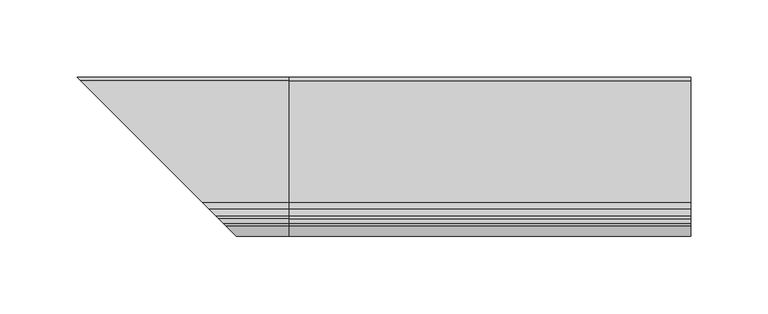
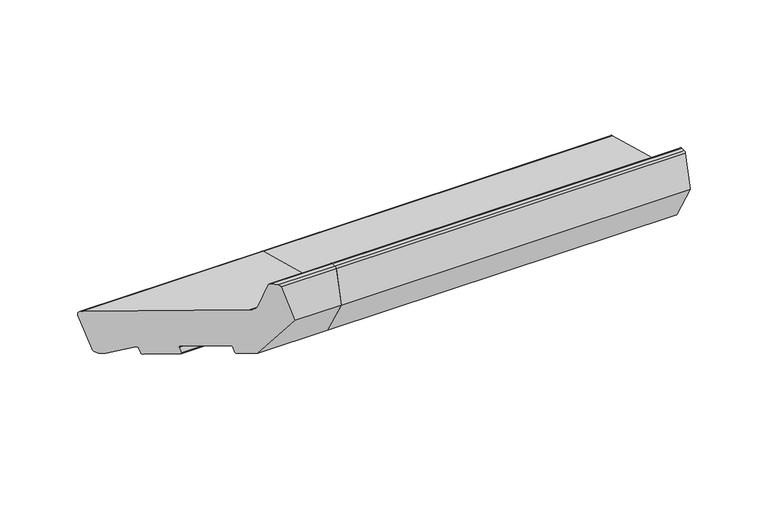
"""IFC4 building model written with IfcOpenShell, lengths in millimetres: proxy geometry."""

from ifc_helpers import new_model, si_unit, point, frame, frame_2d, origin, place, context, project, spatial, polyline, circle_curve, ellipse_curve, trimmed, segment, composite_curve, outline, extrude, source, transform, mapped, element, save
from ifc_brep_helpers import plane_surface, cylinder_surface, revolved_surface, advanced_brep


def generic_models_a520f157(model_context):
    return source(origin(), model_context, "Body", "SolidModel", [
        advanced_brep(
        [(0.0, -47.1626434, 57.797826), (0.0, -51.4052841, 62.0404667), (0.0, -56.1879801, 79.8897315), (0.0, -57.6368689, 81.0015029), (0.0, -60.9802434, 81.0015029), (0.0, -62.4291321, 79.8897315), (0.0, -69.0, 55.3669186), (0.0, -51.3223305, 24.7482968), (0.0, -41.6630722, 22.1601064), (0.0, -40.4383273, 22.8672132), (0.0, -39.4030512, 26.7309165), (0.0, -38.1783063, 27.4380232), (0.0, -14.9960865, 21.2263662), (0.0, -14.2889797, 20.0016213), (0.0, -15.3242559, 16.137918), (0.0, -14.6171491, 14.9131731), (0.0, 2.7695158, 10.2544303), (0.0, 3.9942607, 10.9615371), (0.0, 4.9424512, 14.5002322), (0.0, 6.4292308, 15.095059), (0.0, 20.4149997, 6.5616133), (0.0, 23.3127772, 5.7851562), (0.0, 26.9870118, 7.9064765), (0.0, 33.716307, 33.020548), (0.0, 31.5949866, 36.6947826), (-134.5949866, 31.5949866, 36.6947826), (-55.8373566, -47.1626434, 57.797826), (-136.716307, 33.716307, 33.020548), (-129.9870118, 26.9870118, 7.9064765), (-126.3127772, 23.3127772, 5.7851562), (-123.4149997, 20.4149997, 6.5616133), (-109.4292308, 6.4292308, 15.095059), (-107.9424512, 4.9424512, 14.5002322), (-106.9942607, 3.9942607, 10.9615371), (-105.7695158, 2.7695158, 10.2544303), (-88.3828509, -14.6171491, 14.9131731), (-87.6757441, -15.3242559, 16.137918), (-88.7110203, -14.2889797, 20.0016213), (-88.0039135, -14.9960865, 21.2263662), (-64.8216937, -38.1783063, 27.4380232), (-63.5969488, -39.4030512, 26.7309165), (-62.5616727, -40.4383273, 22.8672132), (-61.3369278, -41.6630722, 22.1601064), (-51.6776695, -51.3223305, 24.7482968), (-34.0, -69.0, 55.3669186), (-40.5708679, -62.4291321, 79.8897315), (-42.0197566, -60.9802434, 81.0015029), (-45.3631311, -57.6368689, 81.0015029), (-46.8120199, -56.1879801, 79.8897315), (-51.5947159, -51.4052841, 62.0404667)],
        [
            (0, 1, circle_curve(frame((0.0, -45.6097291, 63.5933809), z_axis=(-1.0, 0.0, 0.0), x_axis=(0.0, -0.25881904510252074, -0.9659258262890683)), 6.0)),
            (1, 2),
            (2, 3, circle_curve(frame((0.0, -57.6368689, 79.5015029), z_axis=(1.0, 0.0, 0.0), x_axis=(0.0, 0.9659258262890683, 0.25881904510252074)), 1.5)),
            (3, 4),
            (4, 5, circle_curve(frame((0.0, -60.9802434, 79.5015029), z_axis=(1.0, 0.0, 0.0), x_axis=(0.0, 0.0, 1.0)), 1.5)),
            (5, 6),
            (6, 7),
            (7, 8),
            (8, 9, circle_curve(frame((0.0, -41.4042532, 23.1260322), z_axis=(1.0, 0.0, 0.0), x_axis=(0.0, -0.25881904510252074, -0.9659258262890683)), 1.0)),
            (9, 10),
            (10, 11, circle_curve(frame((0.0, -38.4371253, 26.4720974), z_axis=(-1.0, 0.0, 0.0), x_axis=(0.0, -0.9659258262890683, 0.25881904510252074)), 1.0)),
            (11, 12),
            (12, 13, circle_curve(frame((0.0, -15.2549055, 20.2604403), z_axis=(-1.0, 0.0, 0.0), x_axis=(0.0, 0.25881904510252074, 0.9659258262890683)), 1.0)),
            (13, 14),
            (14, 15, circle_curve(frame((0.0, -14.35833, 15.8790989), z_axis=(1.0, 0.0, 0.0), x_axis=(0.0, -0.9659258262890683, 0.25881904510252074)), 1.0)),
            (15, 16),
            (16, 17, circle_curve(frame((0.0, 3.0283348, 11.2203561), z_axis=(1.0, 0.0, 0.0), x_axis=(0.0, -0.25881904510252074, -0.9659258262890683)), 1.0)),
            (17, 18),
            (18, 19, circle_curve(frame((0.0, 5.908377, 14.2414131), z_axis=(-1.0, 0.0, 0.0), x_axis=(0.0, -0.9659258262890681, 0.25881904510252157)), 1.0)),
            (19, 20),
            (20, 21),
            (21, 22, circle_curve(frame((0.0, 24.0892343, 8.6829337), z_axis=(1.0, 0.0, 0.0), x_axis=(0.0, -0.2588190451025206, -0.9659258262890683)), 3.0)),
            (22, 23),
            (23, 24, circle_curve(frame((0.0, 30.8185295, 33.7970051), z_axis=(1.0, 0.0, 0.0), x_axis=(0.0, 0.9659258262890683, -0.25881904510252074)), 3.0)),
            (24, 0),
            (24, 25),
            (25, 26),
            (26, 0),
            (23, 27),
            (27, 25, ellipse_curve(frame((-133.8185295, 30.8185295, 33.7970051), z_axis=(0.7071067811865491, 0.707106781186546, 0.0), x_axis=(-0.7071067811865459, 0.7071067811865491, 0.0)), 4.2426407, 3.0)),
            (22, 28),
            (28, 27),
            (21, 29),
            (29, 28, ellipse_curve(frame((-127.0892343, 24.0892343, 8.6829337), z_axis=(0.7071067811865491, 0.707106781186546, 0.0), x_axis=(-0.7071067811865459, 0.7071067811865491, 0.0)), 4.2426407, 3.0)),
            (20, 30),
            (30, 29),
            (19, 31),
            (31, 30),
            (18, 32),
            (32, 31, ellipse_curve(frame((-108.908377, 5.908377, 14.2414131), z_axis=(-0.7071067811865491, -0.707106781186546, 0.0), x_axis=(0.7071067811865459, -0.7071067811865491, 0.0)), 1.4142136, 1.0)),
            (17, 33),
            (33, 32),
            (16, 34),
            (34, 33, ellipse_curve(frame((-106.0283348, 3.0283348, 11.2203561), z_axis=(0.7071067811865491, 0.707106781186546, 0.0), x_axis=(-0.7071067811865459, 0.7071067811865491, 0.0)), 1.4142136, 1.0)),
            (15, 35),
            (35, 34),
            (14, 36),
            (36, 35, ellipse_curve(frame((-88.64167, -14.35833, 15.8790989), z_axis=(0.7071067811865491, 0.707106781186546, 0.0), x_axis=(-0.7071067811865459, 0.7071067811865491, 0.0)), 1.4142136, 1.0)),
            (13, 37),
            (37, 36),
            (12, 38),
            (38, 37, ellipse_curve(frame((-87.7450945, -15.2549055, 20.2604403), z_axis=(-0.7071067811865491, -0.707106781186546, 0.0), x_axis=(0.7071067811865459, -0.7071067811865491, 0.0)), 1.4142136, 1.0)),
            (11, 39),
            (39, 38),
            (10, 40),
            (40, 39, ellipse_curve(frame((-64.5628747, -38.4371253, 26.4720974), z_axis=(-0.7071067811865491, -0.707106781186546, 0.0), x_axis=(0.7071067811865459, -0.7071067811865491, 0.0)), 1.4142136, 1.0)),
            (9, 41),
            (41, 40),
            (8, 42),
            (42, 41, ellipse_curve(frame((-61.5957468, -41.4042532, 23.1260322), z_axis=(0.7071067811865491, 0.707106781186546, 0.0), x_axis=(-0.7071067811865459, 0.7071067811865491, 0.0)), 1.4142136, 1.0)),
            (7, 43),
            (43, 42),
            (6, 44),
            (44, 43),
            (5, 45),
            (45, 44),
            (4, 46),
            (46, 45, ellipse_curve(frame((-42.0197566, -60.9802434, 79.5015029), z_axis=(0.7071067811865491, 0.707106781186546, 0.0), x_axis=(-0.7071067811865459, 0.7071067811865491, 0.0)), 2.1213203, 1.5)),
            (3, 47),
            (47, 46),
            (2, 48),
            (48, 47, ellipse_curve(frame((-45.3631311, -57.6368689, 79.5015029), z_axis=(0.7071067811865491, 0.707106781186546, 0.0), x_axis=(-0.7071067811865459, 0.7071067811865491, 0.0)), 2.1213203, 1.5)),
            (1, 49),
            (49, 48),
            (26, 49, ellipse_curve(frame((-57.3902709, -45.6097291, 63.5933809), z_axis=(-0.7071067811865491, -0.707106781186546, 0.0), x_axis=(0.7071067811865459, -0.7071067811865491, 0.0)), 8.4852814, 6.0)),
        ],
        [
            plane_surface(frame((0.0, -0.0129882, 0.0), z_axis=(1.0, 0.0, 0.0), x_axis=(0.0, 0.0, 1.0))),
            plane_surface(frame((-136.9599509, -47.1626434, 57.797826), z_axis=(0.0, 0.25881904510252074, 0.9659258262890683), x_axis=(1.0, 0.0, 0.0))),
            cylinder_surface(frame((-136.9599509, 30.8185295, 33.7970051), z_axis=(-1.0, 0.0, 0.0), x_axis=(0.0, 0.9659258262890683, -0.25881904510252074)), 3.0),
            plane_surface(frame((-136.9599509, 33.716307, 33.020548), z_axis=(0.0, 0.9659258262890683, -0.25881904510252074), x_axis=(1.0, 0.0, 0.0))),
            cylinder_surface(frame((-136.9599509, 24.0892343, 8.6829337), z_axis=(-1.0, 0.0, 0.0), x_axis=(0.0, -0.2588190451025206, -0.9659258262890683)), 3.0),
            plane_surface(frame((-136.9599509, 23.3127772, 5.7851562), z_axis=(0.0, -0.25881904510252074, -0.9659258262890683), x_axis=(1.0, 0.0, 0.0))),
            plane_surface(frame((-136.9599509, 20.4149997, 6.5616133), z_axis=(0.0, -0.5208538026734643, -0.8536458962828745), x_axis=(1.0, 0.0, 0.0))),
            revolved_surface(polyline([(0.0, 4.942451173710932, 14.500232145102522), (-109.90837702660625, 4.942451173710932, 14.500232145102522)]), (-136.9599509, 5.908377, 14.2414131), (1.0, 0.0, 0.0)),
            plane_surface(frame((-136.9599509, 4.9424512, 14.5002322), z_axis=(0.0, 0.9659258262890683, -0.25881904510252074), x_axis=(1.0, 0.0, 0.0))),
            cylinder_surface(frame((-136.9599509, 3.0283348, 11.2203561), z_axis=(-1.0, 0.0, 0.0), x_axis=(0.0, -0.25881904510252074, -0.9659258262890683)), 1.0),
            plane_surface(frame((-136.9599509, 2.7695158, 10.2544303), z_axis=(0.0, -0.25881904510252074, -0.9659258262890683), x_axis=(1.0, 0.0, 0.0))),
            cylinder_surface(frame((-136.9599509, -14.35833, 15.8790989), z_axis=(-1.0, 0.0, 0.0), x_axis=(0.0, -0.9659258262890683, 0.25881904510252074)), 1.0),
            plane_surface(frame((-136.9599509, -15.3242559, 16.137918), z_axis=(0.0, -0.9659258262890683, 0.25881904510252074), x_axis=(1.0, 0.0, 0.0))),
            revolved_surface(polyline([(0.0, -14.99608645489748, 21.22636612628907), (-88.74509452660624, -14.99608645489748, 21.22636612628907)]), (-136.9599509, -15.2549055, 20.2604403), (1.0, 0.0, 0.0)),
            plane_surface(frame((-136.9599509, -14.9960865, 21.2263662), z_axis=(0.0, -0.25881904510252074, -0.9659258262890683), x_axis=(1.0, 0.0, 0.0))),
            revolved_surface(polyline([(0.0, -39.403051126289064, 26.73091644510252), (-65.56287472660624, -39.403051126289064, 26.73091644510252)]), (-136.9599509, -38.4371253, 26.4720974), (1.0, 0.0, 0.0)),
            plane_surface(frame((-136.9599509, -39.4030512, 26.7309165), z_axis=(0.0, 0.9659258262890683, -0.25881904510252074), x_axis=(1.0, 0.0, 0.0))),
            cylinder_surface(frame((-136.9599509, -41.4042532, 23.1260322), z_axis=(-1.0, 0.0, 0.0), x_axis=(0.0, -0.25881904510252074, -0.9659258262890683)), 1.0),
            plane_surface(frame((-136.9599509, -41.6630722, 22.1601064), z_axis=(0.0, -0.25881904510252074, -0.9659258262890683), x_axis=(1.0, 0.0, 0.0))),
            plane_surface(frame((-136.9599509, -51.3223305, 24.7482968), z_axis=(0.0, -0.8660254037844388, -0.4999999999999997), x_axis=(1.0, 0.0, 0.0))),
            plane_surface(frame((-136.9599509, -69.0, 55.3669186), z_axis=(0.0, -0.9659258262890683, 0.25881904510252074), x_axis=(1.0, 0.0, 0.0))),
            cylinder_surface(frame((-136.9599509, -60.9802434, 79.5015029), z_axis=(-1.0, 0.0, 0.0), x_axis=(0.0, 0.0, 1.0)), 1.5),
            plane_surface(frame((-136.9599509, -60.9802434, 81.0015029), z_axis=(0.0, 0.0, 1.0), x_axis=(1.0, 0.0, 0.0))),
            cylinder_surface(frame((-136.9599509, -57.6368689, 79.5015029), z_axis=(-1.0, 0.0, 0.0), x_axis=(0.0, 0.9659258262890683, 0.25881904510252074)), 1.5),
            plane_surface(frame((-136.9599509, -56.1879801, 79.8897315), z_axis=(0.0, 0.9659258262890689, 0.2588190451025189), x_axis=(1.0, 0.0, 0.0))),
            revolved_surface(polyline([(0.0, -47.16264337061513, 57.79782594226559), (-63.39027091821606, -47.16264337061513, 57.79782594226559)]), (-136.9599509, -45.6097291, 63.5933809), (1.0, 0.0, 0.0)),
            plane_surface(frame((7.1251873, -110.1251873, 86.7951871), z_axis=(-0.7071067811865491, -0.707106781186546, 0.0), x_axis=(0.0, 0.0, -1.0))),
        ],
        [
            (0, [[1, 2, 3, 4, 5, 6, 7, 8, 9, 10, 11, 12, 13, 14, 15, 16, 17, 18, 19, 20, 21, 22, 23, 24, 25]]),
            (1, [[-25, 26, 27, 28]]),
            (2, [[-24, 29, 30, -26]]),
            (3, [[-23, 31, 32, -29]]),
            (4, [[-22, 33, 34, -31]]),
            (5, [[-21, 35, 36, -33]]),
            (6, [[-20, 37, 38, -35]]),
            (7, [[-19, 39, 40, -37]]),
            (8, [[-18, 41, 42, -39]]),
            (9, [[-17, 43, 44, -41]]),
            (10, [[-16, 45, 46, -43]]),
            (11, [[-15, 47, 48, -45]]),
            (12, [[-14, 49, 50, -47]]),
            (13, [[-13, 51, 52, -49]]),
            (14, [[-12, 53, 54, -51]]),
            (15, [[-11, 55, 56, -53]]),
            (16, [[-10, 57, 58, -55]]),
            (17, [[-9, 59, 60, -57]]),
            (18, [[-8, 61, 62, -59]]),
            (19, [[-7, 63, 64, -61]]),
            (20, [[-6, 65, 66, -63]]),
            (21, [[-5, 67, 68, -65]]),
            (22, [[-4, 69, 70, -67]]),
            (23, [[-3, 71, 72, -69]]),
            (24, [[-2, 73, 74, -71]]),
            (25, [[-1, -28, 75, -73]]),
            (26, [[-27, -30, -32, -34, -36, -38, -40, -42, -44, -46, -48, -50, -52, -54, -56, -58, -60, -62, -64, -66, -68, -70, -72, -74, -75]]),
        ],
    ),
        extrude(outline(composite_curve([segment(polyline([(-47.1626434, 57.797826), (31.5949866, 36.6947826)]), True, "CONTINUOUS"), segment(trimmed(circle_curve(frame_2d((30.8185295, 33.7970051)), 3.0), [point((31.5949866, 36.6947826))], [point((33.716307, 33.020548))], False, "CARTESIAN"), True, "CONTINUOUS"), segment(polyline([(33.716307, 33.020548), (26.9870118, 7.9064765)]), True, "CONTINUOUS"), segment(trimmed(circle_curve(frame_2d((24.0892343, 8.6829337)), 3.0), [point((26.9870118, 7.9064765))], [point((23.3127772, 5.7851562))], False, "CARTESIAN"), True, "CONTINUOUS"), segment(polyline([(23.3127772, 5.7851562), (20.4149997, 6.5616133), (6.4292308, 15.095059)]), True, "CONTINUOUS"), segment(trimmed(circle_curve(frame_2d((5.908377, 14.2414131)), 1.0), [point((6.4292308, 15.095059))], [point((4.9424512, 14.5002322))], True, "CARTESIAN"), True, "CONTINUOUS"), segment(polyline([(4.9424512, 14.5002322), (3.9942607, 10.9615371)]), True, "CONTINUOUS"), segment(trimmed(circle_curve(frame_2d((3.0283348, 11.2203561)), 1.0), [point((3.9942607, 10.9615371))], [point((2.7695158, 10.2544303))], False, "CARTESIAN"), True, "CONTINUOUS"), segment(polyline([(2.7695158, 10.2544303), (-14.6171491, 14.9131731)]), True, "CONTINUOUS"), segment(trimmed(circle_curve(frame_2d((-14.35833, 15.8790989)), 1.0), [point((-14.6171491, 14.9131731))], [point((-15.3242559, 16.137918))], False, "CARTESIAN"), True, "CONTINUOUS"), segment(polyline([(-15.3242559, 16.137918), (-14.2889797, 20.0016213)]), True, "CONTINUOUS"), segment(trimmed(circle_curve(frame_2d((-15.2549055, 20.2604403)), 1.0), [point((-14.2889797, 20.0016213))], [point((-14.9960865, 21.2263662))], True, "CARTESIAN"), True, "CONTINUOUS"), segment(polyline([(-14.9960865, 21.2263662), (-38.1783063, 27.4380232)]), True, "CONTINUOUS"), segment(trimmed(circle_curve(frame_2d((-38.4371253, 26.4720974)), 1.0), [point((-38.1783063, 27.4380232))], [point((-39.4030512, 26.7309165))], True, "CARTESIAN"), True, "CONTINUOUS"), segment(polyline([(-39.4030512, 26.7309165), (-40.4383273, 22.8672132)]), True, "CONTINUOUS"), segment(trimmed(circle_curve(frame_2d((-41.4042532, 23.1260322)), 1.0), [point((-40.4383273, 22.8672132))], [point((-41.6630722, 22.1601064))], False, "CARTESIAN"), True, "CONTINUOUS"), segment(polyline([(-41.6630722, 22.1601064), (-51.3223305, 24.7482968), (-69.0, 55.3669186), (-62.4291321, 79.8897315)]), True, "CONTINUOUS"), segment(trimmed(circle_curve(frame_2d((-60.9802434, 79.5015029)), 1.5), [point((-62.4291321, 79.8897315))], [point((-60.9802434, 81.0015029))], False, "CARTESIAN"), True, "CONTINUOUS"), segment(polyline([(-60.9802434, 81.0015029), (-57.6368689, 81.0015029)]), True, "CONTINUOUS"), segment(trimmed(circle_curve(frame_2d((-57.6368689, 79.5015029)), 1.5), [point((-57.6368689, 81.0015029))], [point((-56.1879801, 79.8897315))], False, "CARTESIAN"), True, "CONTINUOUS"), segment(polyline([(-56.1879801, 79.8897315), (-51.4052841, 62.0404667)]), True, "CONTINUOUS"), segment(trimmed(circle_curve(frame_2d((-45.6097291, 63.5933809)), 6.0), [point((-51.4052841, 62.0404667))], [point((-47.1626434, 57.797826))], True, "CARTESIAN"), True, "CONTINUOUS")], self_intersect=False)), frame((0.0, 0.0, 0.0), z_axis=(1.0, 0.0, 0.0), x_axis=(0.0, 1.0, 0.0)), (0.0, 0.0, 1.0), 260.0),
    ])


if __name__ == "__main__":
    model = new_model("IFC4")
    model_context = context("Model", 3, world=origin())
    ifc_project = project(units=[si_unit("LENGTHUNIT", "METRE", prefix="MILLI")], contexts=[model_context])
    site = spatial("IfcSite", under=ifc_project)
    building = spatial("IfcBuilding", under=site)
    placement = place(None, origin())
    generic_models_shape = generic_models_a520f157(model_context)
    element("IfcBuildingElementProxy", 1, Name="Generic Models", at=placement, inside=building, context=model_context, shape_type="MappedRepresentation", body=[
        mapped(generic_models_shape, transform((0.0, 0.0, 0.0), x_axis=(1.0, 0.0, 0.0), y_axis=(0.0, 1.0, 0.0), z_axis=(0.0, 0.0, 1.0))),
    ])
    save(model, "model.ifc")
